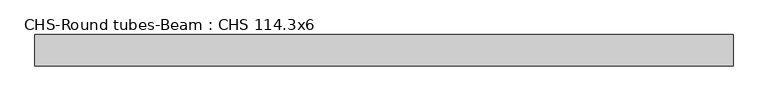
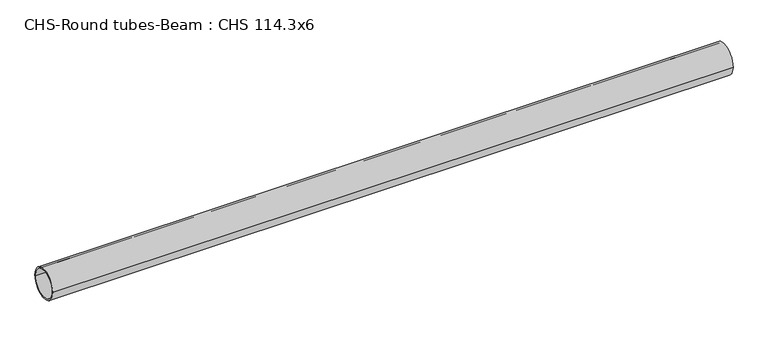
"""IFC4 building model written with IfcOpenShell, lengths in millimetres: beam geometry, CHS-Round tubes-Beam : CHS 114.3x6."""

from ifc_helpers import new_model, si_unit, point, frame, origin, origin_2d, place, context, project, spatial, circle_curve, trimmed, segment, composite_curve, outline, extrude, source, transform, mapped, element, save


def chs_round_tubes_beam_chs_114_3x6_c4e4dc1e(model_context):
    return source(origin(), model_context, "Body", "SweptSolid", [
        extrude(outline(composite_curve([segment(trimmed(circle_curve(origin_2d(), 57.15), [point((57.15, 0.0))], [point((-57.15, 0.0))], False, "CARTESIAN"), True, "CONTINUOUS"), segment(trimmed(circle_curve(origin_2d(), 57.15), [point((-57.15, 0.0))], [point((57.15, 0.0))], False, "CARTESIAN"), True, "CONTINUOUS")], self_intersect=False), holes=[composite_curve([segment(trimmed(circle_curve(origin_2d(), 51.15), [point((51.15, 0.0))], [point((-51.15, 0.0))], True, "CARTESIAN"), True, "CONTINUOUS"), segment(trimmed(circle_curve(origin_2d(), 51.15), [point((-51.15, 0.0))], [point((51.15, 0.0))], True, "CARTESIAN"), True, "CONTINUOUS")], self_intersect=False)]), frame((-1246.5341497, 0.0, 0.0), z_axis=(1.0, 0.0, 0.0), x_axis=(0.0, 1.0, 0.0)), (0.0, 0.0, 1.0), 2531.1557204),
    ])


if __name__ == "__main__":
    model = new_model("IFC4")
    model_context = context("Model", 3, world=origin())
    ifc_project = project(units=[si_unit("LENGTHUNIT", "METRE", prefix="MILLI")], contexts=[model_context])
    site = spatial("IfcSite", under=ifc_project)
    building = spatial("IfcBuilding", under=site)
    placement = place(None, origin())
    chs_round_tubes_beam_chs_114_3x6_shape = chs_round_tubes_beam_chs_114_3x6_c4e4dc1e(model_context)
    element("IfcBeam", 1, ObjectType="CHS-Round tubes-Beam : CHS 114.3x6", at=placement, inside=building, context=model_context, shape_type="MappedRepresentation", body=[
        mapped(chs_round_tubes_beam_chs_114_3x6_shape, transform((0.0, 0.0, 0.0), x_axis=(1.0, 0.0, 0.0), y_axis=(0.0, 1.0, 0.0), z_axis=(0.0, 0.0, 1.0))),
    ])
    save(model, "model.ifc")
